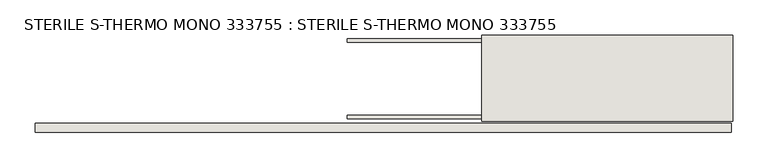
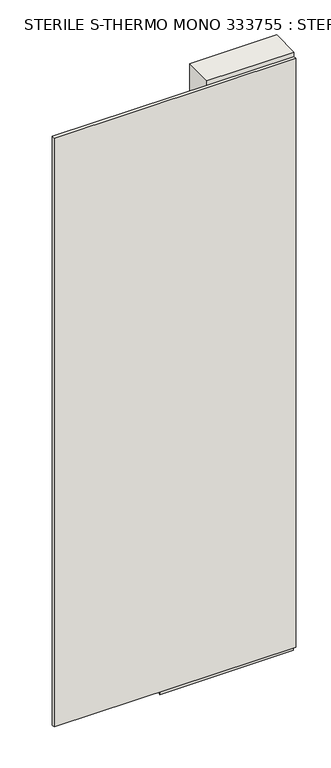
"""IFC4 building model written with IfcOpenShell, lengths in millimetres: wall geometry, STERILE S-THERMO MONO 333755 : STERILE S-THERMO MONO 333755."""

from ifc_helpers import new_model, si_unit, frame, origin, place, context, project, spatial, polyline, outline, extrude, source, transform, mapped, element, save


def sterile_s_thermo_mono_333755_sterile_s_thermo_mono_333755_08d26132(model_context):
    return source(origin(), model_context, "Body", "SweptSolid", [
        extrude(outline(polyline([(84694.0688132, -44119.5873004), (84696.6088132, -44119.5873004), (84696.6088132, -44122.1273004), (84694.0688132, -44122.1273004), (84694.0688132, -44119.5873004)])), frame((0.0, 0.0, 4419.6), z_axis=(0.0, 0.0, 1.0), x_axis=(1.0, 0.0, 0.0)), (0.0, 0.0, 1.0), 2.54),
        extrude(outline(polyline([(84694.6100618, -44197.0573004), (83708.0100538, -44197.0573004), (83708.0100538, -44184.3573004), (84694.6100618, -44184.3573004), (84694.6100618, -44197.0573004)])), frame((0.0, 0.0, 4445.0), z_axis=(0.0, 0.0, 1.0), x_axis=(1.0, 0.0, 0.0)), (0.0, 0.0, 1.0), 2545.0498756),
        extrude(outline(polyline([(84150.5038602, -44172.5564604), (84696.6038602, -44172.5564604), (84696.6038602, -44177.6352412), (84150.5038602, -44177.6352412), (84150.5038602, -44172.5564604)])), frame((0.0, 0.0, 4418.6602), z_axis=(0.0, 0.0, 1.0), x_axis=(1.0, 0.0, 0.0)), (0.0, 0.0, 1.0), 47.625),
        extrude(outline(polyline([(84150.5038602, -44172.5564604), (84696.6038602, -44172.5564604), (84696.6038602, -44177.6352412), (84150.5038602, -44177.6352412), (84150.5038602, -44172.5564604)])), frame((0.0, 0.0, 4418.6602), z_axis=(0.0, 0.0, 1.0), x_axis=(1.0, 0.0, 0.0)), (0.0, 0.0, 1.0), 47.625),
        extrude(outline(polyline([(84696.6038602, -44069.1767332), (84150.5038602, -44069.1767332), (84150.5038602, -44064.0979778), (84696.6038602, -44064.0979778), (84696.6038602, -44069.1767332)])), frame((0.0, 0.0, 4418.6602), z_axis=(0.0, 0.0, 1.0), x_axis=(1.0, 0.0, 0.0)), (0.0, 0.0, 1.0), 47.625),
        extrude(outline(polyline([(84696.6038602, -44069.1767332), (84150.5038602, -44069.1767332), (84150.5038602, -44064.0979778), (84696.6038602, -44064.0979778), (84696.6038602, -44069.1767332)])), frame((0.0, 0.0, 4418.6602), z_axis=(0.0, 0.0, 1.0), x_axis=(1.0, 0.0, 0.0)), (0.0, 0.0, 1.0), 47.625),
        extrude(outline(polyline([(84341.0038602, -44181.8272318), (84341.0038602, -44059.9059872), (84696.6038602, -44059.9059872), (84696.6038602, -44181.8272318), (84341.0038602, -44181.8272318)])), frame((0.0, 0.0, 4445.0), z_axis=(0.0, 0.0, 1.0), x_axis=(1.0, 0.0, 0.0)), (0.0, 0.0, 1.0), 2562.4536762),
    ])


if __name__ == "__main__":
    model = new_model("IFC4")
    model_context = context("Model", 3, world=origin())
    ifc_project = project(units=[si_unit("LENGTHUNIT", "METRE", prefix="MILLI")], contexts=[model_context])
    site = spatial("IfcSite", under=ifc_project)
    building = spatial("IfcBuilding", under=site)
    placement = place(None, origin())
    sterile_s_thermo_mono_333755_sterile_s_thermo_mono_333755_shape = sterile_s_thermo_mono_333755_sterile_s_thermo_mono_333755_08d26132(model_context)
    element("IfcWall", 1, ObjectType="STERILE S-THERMO MONO 333755 : STERILE S-THERMO MONO 333755", at=placement, inside=building, context=model_context, shape_type="MappedRepresentation", body=[
        mapped(sterile_s_thermo_mono_333755_sterile_s_thermo_mono_333755_shape, transform((0.0, 0.0, 0.0), x_axis=(1.0, 0.0, 0.0), y_axis=(0.0, 1.0, 0.0), z_axis=(0.0, 0.0, 1.0))),
    ])
    save(model, "model.ifc")
